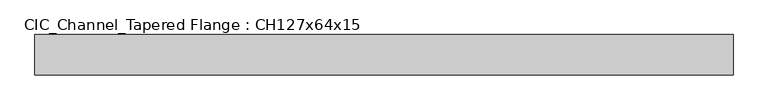
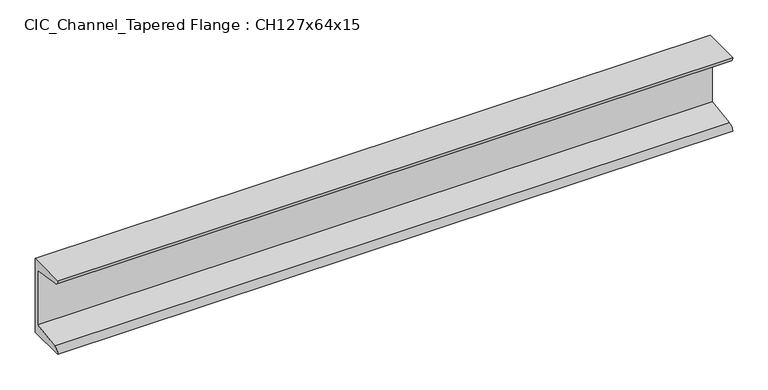
"""IFC4 building model written with IfcOpenShell, lengths in millimetres: beam geometry, CIC_Channel_Tapered Flange : CH127x64x15."""

from ifc_helpers import new_model, si_unit, point, frame, frame_2d, origin, place, context, project, spatial, polyline, circle_curve, trimmed, segment, composite_curve, outline, extrude, source, transform, mapped, element, save


def cic_channel_tapered_flange_ch127x64x15_e5be0280(model_context):
    return source(origin(), model_context, "Body", "SweptSolid", [
        extrude(outline(composite_curve([segment(polyline([(19.4, 63.5), (19.4, -63.5), (-44.1, -63.5)]), True, "CONTINUOUS"), segment(trimmed(circle_curve(frame_2d((-34.9, -63.5)), 9.2), [point((-44.1, -63.5))], [point((-34.9, -54.3))], False, "CARTESIAN"), True, "CONTINUOUS"), segment(polyline([(-34.9, -54.3), (13.0, -46.7133853), (13.0, 46.7133853), (-34.9, 54.3)]), True, "CONTINUOUS"), segment(trimmed(circle_curve(frame_2d((-34.9, 63.5)), 9.2), [point((-34.9, 54.3))], [point((-44.1, 63.5))], False, "CARTESIAN"), True, "CONTINUOUS"), segment(polyline([(-44.1, 63.5), (19.4, 63.5)]), True, "CONTINUOUS")], self_intersect=False)), frame((-550.0, 0.0, 0.0), z_axis=(1.0, 0.0, 0.0), x_axis=(0.0, 1.0, 0.0)), (0.0, 0.0, 1.0), 1100.0),
    ])


if __name__ == "__main__":
    model = new_model("IFC4")
    model_context = context("Model", 3, world=origin())
    ifc_project = project(units=[si_unit("LENGTHUNIT", "METRE", prefix="MILLI")], contexts=[model_context])
    site = spatial("IfcSite", under=ifc_project)
    building = spatial("IfcBuilding", under=site)
    placement = place(None, origin())
    cic_channel_tapered_flange_ch127x64x15_shape = cic_channel_tapered_flange_ch127x64x15_e5be0280(model_context)
    element("IfcBeam", 1, ObjectType="CIC_Channel_Tapered Flange : CH127x64x15", at=placement, inside=building, context=model_context, shape_type="MappedRepresentation", body=[
        mapped(cic_channel_tapered_flange_ch127x64x15_shape, transform((0.0, 0.0, 0.0), x_axis=(1.0, 0.0, 0.0), y_axis=(0.0, 1.0, 0.0), z_axis=(0.0, 0.0, 1.0))),
    ])
    save(model, "model.ifc")
